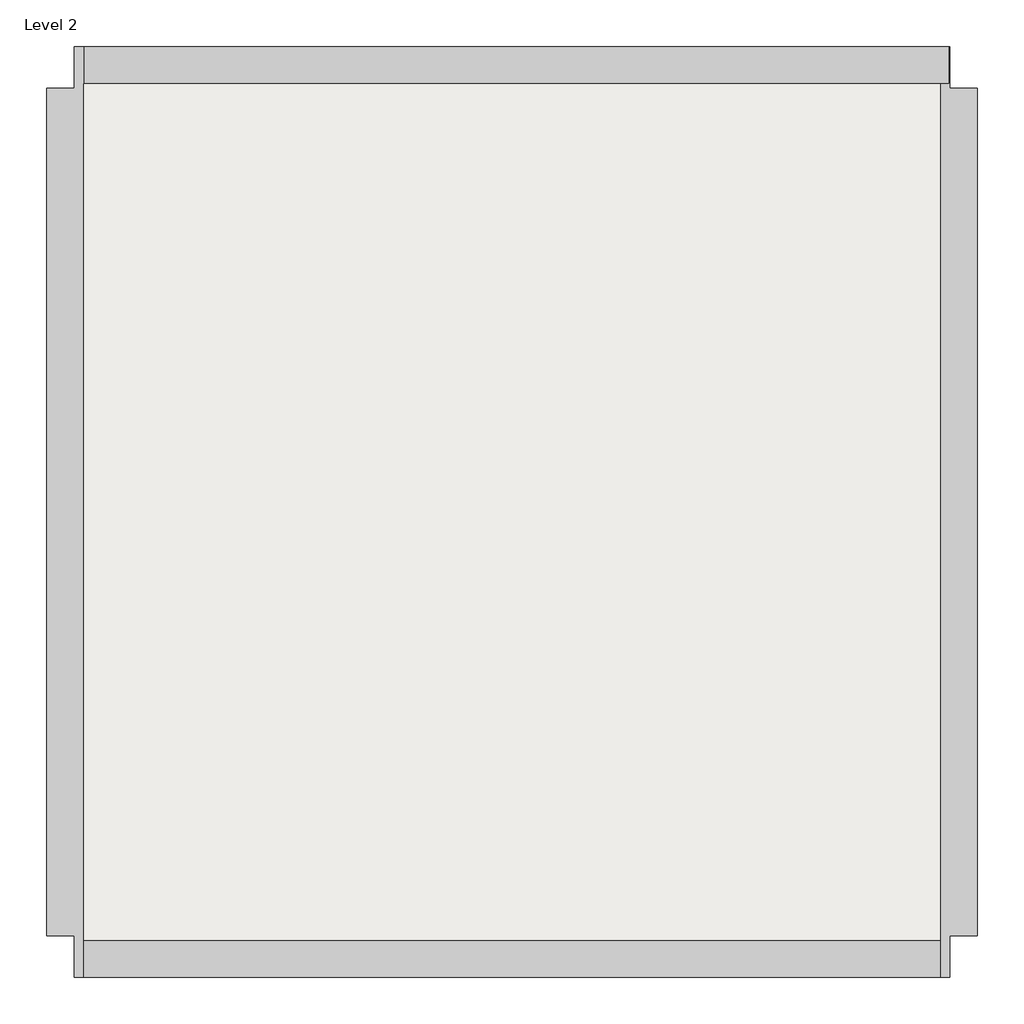
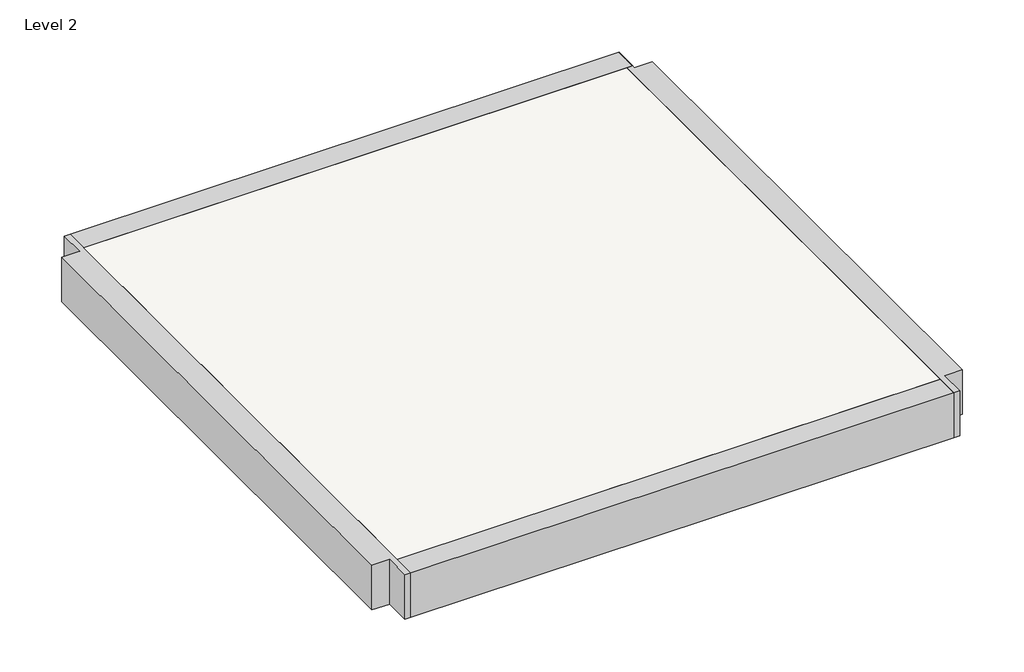
# One storey: 4 beams, 1 slab.
"""IFC4 building model written with IfcOpenShell, lengths in millimetres."""

from ifc_helpers import new_model, si_unit, frame, origin, place, context, project, spatial, polyline, outline, extrude, faceted_brep, element, save

model = new_model("IFC4")

# Units and contexts
model_context = context("Model", 3, world=origin())
ifc_project = project(units=[si_unit("LENGTHUNIT", "METRE", prefix="MILLI")], contexts=[model_context])

# Site, building, storey
site = spatial("IfcSite", under=ifc_project)
building = spatial("IfcBuilding", under=site)
storey = spatial("IfcBuildingStorey", under=building, Name="Level 2", Elevation=4000.0)

# Beams
placement = place(None, origin())
element("IfcBeam", 1, ObjectType="Concrete - Rectangular Beam : 400 x 800mm", at=placement, inside=storey, context=model_context, shape_type="Brep", body=[
    faceted_brep([(-5122.4218988, -5768.0016959, 4000.0), (-5122.4218988, -5368.0016959, 4000.0), (-5122.4218988, 3831.9983041, 4000.0), (-5122.4218988, 4231.9983041, 4000.0), (-5222.4218988, 4231.9983041, 4000.0), (-5222.4218988, 3781.9983041, 4000.0), (-5522.4218988, 3781.9983041, 4000.0), (-5522.4218988, -5318.0016959, 4000.0), (-5222.4218988, -5318.0016959, 4000.0), (-5222.4218988, -5768.0016959, 4000.0), (-5122.4218988, 4231.9983041, 3200.0), (-5122.4218988, -5768.0016959, 3200.0), (-5122.4218988, -5368.0016959, 3200.0), (-5122.4218988, 3831.9983041, 3200.0), (-5222.4218988, 3781.9983041, 3200.0), (-5222.4218988, 4231.9983041, 3200.0), (-5222.4218988, -5768.0016959, 3200.0), (-5222.4218988, -5318.0016959, 3200.0), (-5522.4218988, -5318.0016959, 3200.0), (-5522.4218988, 3781.9983041, 3200.0)], [[[0, 1, 2, 3, 4, 5, 6, 7, 8, 9]], [[10, 3, 2, 1, 0, 11, 12, 13]], [[14, 15, 10, 13, 12, 11, 16, 17, 18, 19]], [[6, 19, 18, 7]], [[14, 5, 4, 15]], [[5, 14, 19, 6]], [[8, 17, 16, 9]], [[17, 8, 7, 18]], [[3, 10, 15, 4]], [[11, 0, 9, 16]]]),
])
element("IfcBeam", 2, ObjectType="Concrete - Rectangular Beam : 400 x 800mm", at=placement, inside=storey, context=model_context, shape_type="Brep", body=[
    faceted_brep([(4176.5781012, 4231.9983041, 4000.0), (4176.5781012, 3831.9983041, 4000.0), (4176.5781012, 3831.9983041, 3200.0), (4176.5781012, 4231.9983041, 3200.0), (-5122.4218988, 4231.9983041, 4000.0), (-5122.4218988, 3831.9983041, 4000.0), (4077.5781012, 3831.9983041, 4000.0), (-5122.4218988, 3831.9983041, 3600.0), (-5122.4218988, 3831.9983041, 3200.0), (4077.5781012, 3831.9983041, 3200.0), (-5122.4218988, 4231.9983041, 3200.0)], [[[0, 1, 2, 3]], [[1, 0, 4, 5, 6]], [[2, 1, 6, 5, 7, 8, 9]], [[3, 2, 9, 8, 10]], [[0, 3, 10, 4]], [[5, 4, 10, 8, 7]]]),
])
element("IfcBeam", 3, ObjectType="Concrete - Rectangular Beam : 400 x 800mm", at=placement, inside=storey, context=model_context, shape_type="Brep", body=[
    faceted_brep([(4477.5781012, 3781.9983041, 4000.0), (4177.5781012, 3781.9983041, 4000.0), (4177.5781012, 4231.9983041, 4000.0), (4176.5781012, 4231.9983041, 4000.0), (4176.5781012, 3831.9983041, 4000.0), (4077.5781012, 3831.9983041, 4000.0), (4077.5781012, -5368.0016959, 4000.0), (4077.5781012, -5768.0016959, 4000.0), (4177.5781012, -5768.0016959, 4000.0), (4177.5781012, -5318.0016959, 4000.0), (4477.5781012, -5318.0016959, 4000.0), (4077.5781012, -5768.0016959, 3200.0), (4077.5781012, 3831.9983041, 3600.0), (4077.5781012, 3831.9983041, 3200.0), (4077.5781012, -5368.0016959, 3200.0), (4177.5781012, 3781.9983041, 3200.0), (4477.5781012, 3781.9983041, 3200.0), (4477.5781012, -5318.0016959, 3200.0), (4177.5781012, -5318.0016959, 3200.0), (4177.5781012, -5768.0016959, 3200.0), (4176.5781012, 3831.9983041, 3200.0), (4176.5781012, 4231.9983041, 3200.0), (4177.5781012, 4231.9983041, 3200.0)], [[[0, 1, 2, 3, 4, 5, 6, 7, 8, 9, 10]], [[11, 7, 6, 5, 12, 13, 14]], [[15, 16, 17, 18, 19, 11, 14, 13, 20, 21, 22]], [[16, 0, 10, 17]], [[15, 1, 0, 16]], [[1, 15, 22, 2]], [[18, 9, 8, 19]], [[9, 18, 17, 10]], [[2, 22, 21, 3]], [[7, 11, 19, 8]], [[20, 4, 3, 21]], [[4, 20, 13, 12, 5]]]),
])
element("IfcBeam", 4, ObjectType="Concrete - Rectangular Beam : 400 x 800mm", at=placement, inside=storey, context=model_context, shape_type="Brep", body=[
    faceted_brep([(-5122.4218988, -5368.0016959, 4000.0), (-5122.4218988, -5768.0016959, 4000.0), (4077.5781012, -5768.0016959, 4000.0), (4077.5781012, -5368.0016959, 4000.0), (-5122.4218988, -5368.0016959, 3200.0), (-5122.4218988, -5368.0016959, 3600.0), (4077.5781012, -5368.0016959, 3600.0), (4077.5781012, -5368.0016959, 3200.0), (-5122.4218988, -5768.0016959, 3200.0), (4077.5781012, -5768.0016959, 3200.0)], [[[0, 1, 2, 3]], [[4, 5, 0, 3, 6, 7]], [[8, 4, 7, 9]], [[1, 8, 9, 2]], [[0, 5, 4, 8, 1]], [[3, 2, 9, 7, 6]]]),
])

# Slab
element("IfcSlab", 5, at=placement, inside=storey, context=model_context, shape_type="SweptSolid", body=[
    extrude(outline(polyline([(4077.5781012, 3831.9983041), (4077.5781012, -5368.0016959), (-5122.4218988, -5368.0016959), (-5122.4218988, 3831.9983041), (4077.5781012, 3831.9983041)])), frame((0.0, 0.0, 3600.0), z_axis=(0.0, 0.0, 1.0), x_axis=(1.0, 0.0, 0.0)), (0.0, 0.0, 1.0), 400.0),
])

save(model, "model.ifc")
